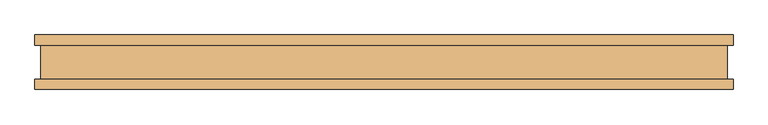
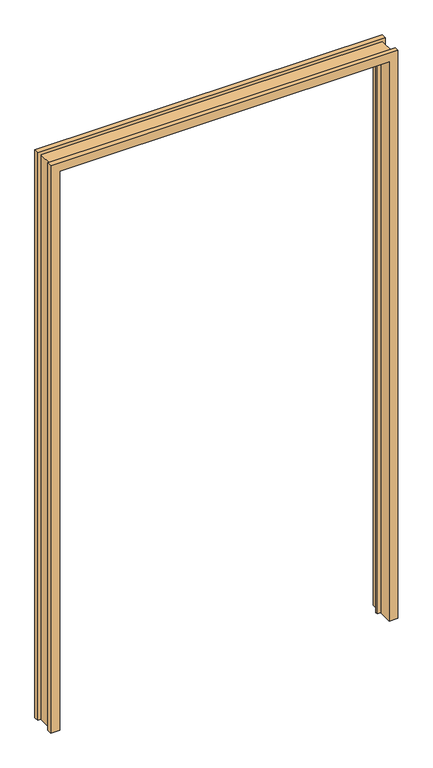
"""IFC4 building model written with IfcOpenShell, lengths in millimetres: door geometry."""

import ifcopenshell
import ifcopenshell.guid

model = None  # the IFC model being written
_history = None  # IfcOwnerHistory: only IFC2X3 demands one
_inside = {}  # id of a spatial element -> (the spatial element, [elements in it])
_under = {}  # id of a project, library or spatial element -> (it, [spatial elements below it])
_declared = {}  # id of a project -> (the project, [libraries it declares])
_typed = {}  # id of a type object -> (the type object, [elements of that type])
_made_of = {}  # id of a material, layer set ... -> (it, [elements and type objects made of it])


def new_model(schema):
    """Start an empty IFC model of exactly this schema.

    Asked for "IFC4X3", IfcOpenShell would pick the latest addendum, in which some entities
    have other attributes; the version numbers below select the first issue.
    IFC2X3 requires an IfcOwnerHistory on every rooted entity: one is made here for all.
    """
    global model, _history
    if schema == "IFC4X3":
        model = ifcopenshell.file(schema_version=(4, 3, 0, 0))
    else:
        model = ifcopenshell.file(schema=schema)
    _inside.clear()
    _under.clear()
    _declared.clear()
    _typed.clear()
    _made_of.clear()
    _history = None
    if model.schema == "IFC2X3":
        org = make("IfcOrganization", Name="unknown")
        user = make(
            "IfcPersonAndOrganization",
            ThePerson=make("IfcPerson", FamilyName="unknown"),
            TheOrganization=org,
        )
        app = make(
            "IfcApplication",
            ApplicationDeveloper=org,
            Version="unknown",
            ApplicationFullName="unknown",
            ApplicationIdentifier="unknown",
        )
        _history = make(
            "IfcOwnerHistory",
            OwningUser=user,
            OwningApplication=app,
            ChangeAction="ADDED",
            CreationDate=0,
        )
    return model


def make(cls, **values):
    """One entity of the class cls with the attributes given. An attribute that is None is left unset."""
    return model.create_entity(
        cls, **{name: value for name, value in values.items() if value is not None}
    )


def rooted(cls, **values):
    """An entity with a GlobalId (a new one), such as an element, a storey or a relation."""
    return make(cls, GlobalId=ifcopenshell.guid.new(), OwnerHistory=_history, **values)


def si_unit(unit_type, name, prefix=None):
    """IfcSIUnit, for example si_unit("LENGTHUNIT", "METRE", prefix="MILLI")."""
    return make("IfcSIUnit", UnitType=unit_type, Prefix=prefix, Name=name)


def assignment(units):
    """IfcUnitAssignment: the units of a project."""
    return None if units is None else make("IfcUnitAssignment", Units=units)


def point(xyz):
    """IfcCartesianPoint."""
    return None if xyz is None else make("IfcCartesianPoint", Coordinates=xyz)


def direction(xyz):
    """IfcDirection."""
    return None if xyz is None else make("IfcDirection", DirectionRatios=xyz)


def frame(location, z_axis=None, x_axis=None):
    """IfcAxis2Placement3D, a coordinate frame: its origin and axes. An axis left out is left unset."""
    return make(
        "IfcAxis2Placement3D",
        Location=point(location),
        Axis=direction(z_axis),
        RefDirection=direction(x_axis),
    )


def origin():
    """The frame at (0, 0, 0) with its axes left unset."""
    return frame((0.0, 0.0, 0.0))


def place(relative_to, where):
    """IfcLocalPlacement: puts the frame where relative to a parent placement (None: the world)."""
    return make(
        "IfcLocalPlacement", PlacementRelTo=relative_to, RelativePlacement=where
    )


def context(
    kind, dimensions, precision=None, world=None, true_north=None, identifier=None
):
    """IfcGeometricRepresentationContext, for example the 3D "Model" context."""
    return make(
        "IfcGeometricRepresentationContext",
        ContextIdentifier=identifier,
        ContextType=kind,
        CoordinateSpaceDimension=dimensions,
        Precision=precision,
        WorldCoordinateSystem=world,
        TrueNorth=true_north,
    )


def project(units=None, contexts=None):
    """IfcProject with its units and contexts."""
    return rooted(
        "IfcProject",
        Name="project",
        RepresentationContexts=contexts,
        UnitsInContext=assignment(units),
    )


def spatial(cls, under=None, at=None, **own):
    """A site, building, storey or space (cls), placed at a placement, below another one or the project."""
    s = rooted(cls, ObjectPlacement=at, **own)
    if under is not None:
        _under.setdefault(under.id(), (under, []))[1].append(s)
    return s


def faces_of(points, faces, orient=None, outer=None):
    """IfcFace entities. A face is a list of loops; a loop is a list of indices into points, from 0.

    orient and outer hold one flag for each loop. By default every Orientation is true, the
    first loop of a face is its IfcFaceOuterBound and the others are IfcFaceBound.
    """
    made = []
    for i, loops in enumerate(faces):
        bounds = []
        for j, loop in enumerate(loops):
            is_outer = j == 0 if outer is None else outer[i][j]
            bounds.append(
                make(
                    "IfcFaceOuterBound" if is_outer else "IfcFaceBound",
                    Bound=make("IfcPolyLoop", Polygon=[points[k] for k in loop]),
                    Orientation=True if orient is None else orient[i][j],
                )
            )
        made.append(make("IfcFace", Bounds=bounds))
    return made


def faceted_brep(points, faces, orient=None, outer=None, voids=None):
    """IfcFacetedBrep: a solid bounded by flat faces; with voids (closed shells), ...WithVoids."""
    shared = [point(p) for p in points]
    hull = make("IfcClosedShell", CfsFaces=faces_of(shared, faces, orient, outer))
    if voids is None:
        return make("IfcFacetedBrep", Outer=hull)
    return make(
        "IfcFacetedBrepWithVoids",
        Outer=hull,
        Voids=[
            make(cls, CfsFaces=faces_of(shared, fs, o, b)) for cls, fs, o, b in voids
        ],
    )


def shape(context_of_items, identifier, shape_type, items):
    """IfcShapeRepresentation: the items that make up one representation, for example the "Body"."""
    return make(
        "IfcShapeRepresentation",
        ContextOfItems=context_of_items,
        RepresentationIdentifier=identifier,
        RepresentationType=shape_type,
        Items=items,
    )


def source(mapping_origin, context_of_items, identifier, shape_type, items):
    """IfcRepresentationMap: a shape defined once, which mapped items show again and again."""
    return make(
        "IfcRepresentationMap",
        MappingOrigin=mapping_origin,
        MappedRepresentation=shape(context_of_items, identifier, shape_type, items),
    )


def transform(
    local_origin,
    x_axis=None,
    y_axis=None,
    z_axis=None,
    scale=None,
    scale2=None,
    scale3=None,
    uniform=True,
):
    """IfcCartesianTransformationOperator3D, or its non-uniform kind. x_axis, y_axis, z_axis: its Axis1, 2, 3."""
    if uniform:
        return make(
            "IfcCartesianTransformationOperator3D",
            Axis1=direction(x_axis),
            Axis2=direction(y_axis),
            LocalOrigin=point(local_origin),
            Scale=scale,
            Axis3=direction(z_axis),
        )
    return make(
        "IfcCartesianTransformationOperator3DnonUniform",
        Axis1=direction(x_axis),
        Axis2=direction(y_axis),
        LocalOrigin=point(local_origin),
        Scale=scale,
        Axis3=direction(z_axis),
        Scale2=scale2,
        Scale3=scale3,
    )


def mapped(mapping_source, mapping_target):
    """IfcMappedItem: shows the shape of a source again, moved by a transform."""
    return make(
        "IfcMappedItem", MappingSource=mapping_source, MappingTarget=mapping_target
    )


def made_of(thing, what):
    """Note that an element or type object is made of a material, layer set ...; save() writes the relation."""
    if what is not None:
        _made_of.setdefault(what.id(), (what, []))[1].append(thing)
    return thing


def element(
    cls,
    number,
    at=None,
    inside=None,
    cuts=None,
    type_object=None,
    material=None,
    context=None,
    identifier="Body",
    shape_type=None,
    held_by="IfcProductDefinitionShape",
    body=None,
    shapes=None,
    **own,
):
    """One element of the class cls, such as IfcWall. Its Tag is "e" and its number.

    at: its placement. inside: the storey or other place that contains it. cuts: it is an
    opening in that element (IfcRelVoidsElement). A single representation is given by context,
    identifier, shape_type and body (its items); several are given by shapes. held_by: the class
    of the entity that holds the representations. save() writes the other relations.
    """
    e = rooted(cls, Tag="e%d" % number, ObjectPlacement=at, **own)
    if body is not None:
        shapes = [shape(context, identifier, shape_type, body)]
    if shapes is not None:
        e.Representation = make(held_by, Representations=shapes)
    if inside is not None:
        _inside.setdefault(inside.id(), (inside, []))[1].append(e)
    if cuts is not None:
        rooted(
            "IfcRelVoidsElement", RelatingBuildingElement=cuts, RelatedOpeningElement=e
        )
    if type_object is not None:
        _typed.setdefault(type_object.id(), (type_object, []))[1].append(e)
    return made_of(e, material)


def aggregate(whole, parts):
    """IfcRelAggregates: a whole, such as a stair, and the parts it consists of."""
    return rooted("IfcRelAggregates", RelatingObject=whole, RelatedObjects=parts)


def save(model, path):
    """Write the relations noted so far, then the file.

    IfcRelAggregates (storeys below a building ...), IfcRelContainedInSpatialStructure (elements
    in a storey), IfcRelDefinesByType, IfcRelAssociatesMaterial and IfcRelDeclares: one each for
    every whole, place, type object, material and project.
    """
    for whole, parts in _under.values():
        aggregate(whole, parts)
    for where, things in _inside.values():
        rooted(
            "IfcRelContainedInSpatialStructure",
            RelatedElements=things,
            RelatingStructure=where,
        )
    for kind, things in _typed.values():
        rooted("IfcRelDefinesByType", RelatedObjects=things, RelatingType=kind)
    for what, things in _made_of.values():
        rooted("IfcRelAssociatesMaterial", RelatedObjects=things, RelatingMaterial=what)
    for by, libraries in _declared.values():
        rooted("IfcRelDeclares", RelatingContext=by, RelatedDefinitions=libraries)
    model.write(path)


def door_7fcb07ea(model_context):
    return source(origin(), model_context, "Body", "Brep", [
        faceted_brep([(-639.6482, -31.447233, 0.0), (-628.65, -31.447233, 0.0), (-628.65, 31.468567, 0.0), (-639.6482, 31.468567, 0.0), (-639.6482, 50.010667, 0.0), (-606.6282, 50.010667, 0.0), (-606.6282, 10.907167, 0.0), (-593.6742, 10.907167, 0.0), (-593.6742, 2.6789063, 0.0), (-606.6282, 2.6789063, 0.0), (-606.6282, -49.989233, 0.0), (-639.6482, -49.989233, 0.0), (-639.6482, -49.989233, 2209.7925997), (-639.6482, -31.447233, 2209.7925997), (-606.6282, -49.989233, 2176.7725997), (606.6282, -49.989233, 2176.7725997), (606.6282, -49.989233, 0.0), (639.6482, -49.989233, 0.0), (639.6482, -49.989233, 2209.7925997), (-606.6282, 2.6789063, 2176.7725997), (-593.6742, 2.6789063, 2163.8185997), (593.6742, 2.6789063, 2163.8185997), (593.6742, 2.6789063, 0.0), (606.6282, 2.6789063, 0.0), (606.6282, 2.6789063, 2176.7725997), (-593.6742, 10.907167, 2163.8185997), (-606.6282, 10.907167, 2176.7725997), (606.6282, 10.907167, 2176.7725997), (606.6282, 10.907167, 0.0), (593.6742, 10.907167, 0.0), (593.6742, 10.907167, 2163.8185997), (-606.6282, 50.010667, 2176.7725997), (-639.6482, 50.010667, 2209.7925997), (639.6482, 50.010667, 2209.7925997), (639.6482, 50.010667, 0.0), (606.6282, 50.010667, 0.0), (606.6282, 50.010667, 2176.7725997), (-639.6482, 31.468567, 2209.7925997), (-628.65, 31.468567, 2198.7943997), (628.65, 31.468567, 2198.7943997), (628.65, 31.468567, 0.0), (639.6482, 31.468567, 0.0), (639.6482, 31.468567, 2209.7925997), (-628.65, -31.447233, 2198.7943997), (639.6482, -31.447233, 2209.7925997), (639.6482, -31.447233, 0.0), (628.65, -31.447233, 0.0), (628.65, -31.447233, 2198.7943997)], [[[0, 1, 2, 3, 4, 5, 6, 7, 8, 9, 10, 11]], [[11, 12, 13, 0]], [[10, 14, 15, 16, 17, 18, 12, 11]], [[9, 19, 14, 10]], [[8, 20, 21, 22, 23, 24, 19, 9]], [[7, 25, 20, 8]], [[6, 26, 27, 28, 29, 30, 25, 7]], [[5, 31, 26, 6]], [[4, 32, 33, 34, 35, 36, 31, 5]], [[3, 37, 32, 4]], [[2, 38, 39, 40, 41, 42, 37, 3]], [[1, 43, 38, 2]], [[0, 13, 44, 45, 46, 47, 43, 1]], [[36, 35, 28, 27]], [[45, 17, 16, 23, 22, 29, 28, 35, 34, 41, 40, 46]], [[47, 46, 40, 39]], [[30, 29, 22, 21]], [[24, 23, 16, 15]], [[18, 17, 45, 44]], [[42, 41, 34, 33]], [[31, 36, 27, 26]], [[43, 47, 39, 38]], [[25, 30, 21, 20]], [[19, 24, 15, 14]], [[12, 18, 44, 13]], [[37, 42, 33, 32]]]),
    ])


if __name__ == "__main__":
    model = new_model("IFC4")
    model_context = context("Model", 3, world=origin())
    ifc_project = project(units=[si_unit("LENGTHUNIT", "METRE", prefix="MILLI")], contexts=[model_context])
    site = spatial("IfcSite", under=ifc_project)
    building = spatial("IfcBuilding", under=site)
    placement = place(None, origin())
    door_shape = door_7fcb07ea(model_context)
    element("IfcDoor", 1, at=placement, inside=building, context=model_context, shape_type="MappedRepresentation", body=[
        mapped(door_shape, transform((0.0, 0.0, 0.0), x_axis=(1.0, 0.0, 0.0), y_axis=(0.0, 1.0, 0.0), z_axis=(0.0, 0.0, 1.0))),
    ])
    save(model, "model.ifc")
